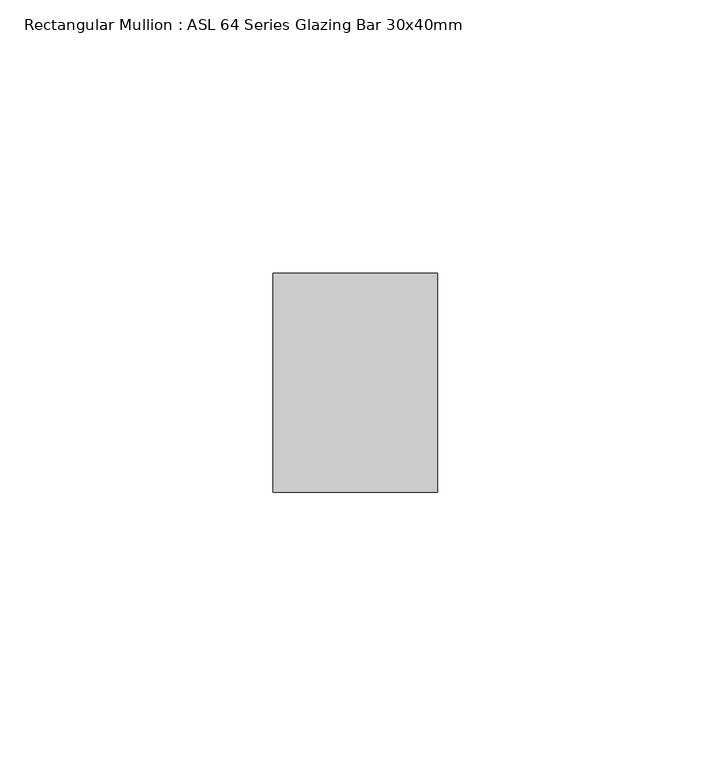
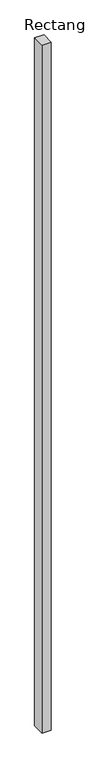
"""IFC4 building model written with IfcOpenShell, lengths in millimetres: member geometry, Rectangular Mullion : ASL 64 Series Glazing Bar 30x40mm."""

import ifcopenshell
import ifcopenshell.guid

model = None  # the IFC model being written
_history = None  # IfcOwnerHistory: only IFC2X3 demands one
_inside = {}  # id of a spatial element -> (the spatial element, [elements in it])
_under = {}  # id of a project, library or spatial element -> (it, [spatial elements below it])
_declared = {}  # id of a project -> (the project, [libraries it declares])
_typed = {}  # id of a type object -> (the type object, [elements of that type])
_made_of = {}  # id of a material, layer set ... -> (it, [elements and type objects made of it])


def new_model(schema):
    """Start an empty IFC model of exactly this schema.

    Asked for "IFC4X3", IfcOpenShell would pick the latest addendum, in which some entities
    have other attributes; the version numbers below select the first issue.
    IFC2X3 requires an IfcOwnerHistory on every rooted entity: one is made here for all.
    """
    global model, _history
    if schema == "IFC4X3":
        model = ifcopenshell.file(schema_version=(4, 3, 0, 0))
    else:
        model = ifcopenshell.file(schema=schema)
    _inside.clear()
    _under.clear()
    _declared.clear()
    _typed.clear()
    _made_of.clear()
    _history = None
    if model.schema == "IFC2X3":
        org = make("IfcOrganization", Name="unknown")
        user = make(
            "IfcPersonAndOrganization",
            ThePerson=make("IfcPerson", FamilyName="unknown"),
            TheOrganization=org,
        )
        app = make(
            "IfcApplication",
            ApplicationDeveloper=org,
            Version="unknown",
            ApplicationFullName="unknown",
            ApplicationIdentifier="unknown",
        )
        _history = make(
            "IfcOwnerHistory",
            OwningUser=user,
            OwningApplication=app,
            ChangeAction="ADDED",
            CreationDate=0,
        )
    return model


def make(cls, **values):
    """One entity of the class cls with the attributes given. An attribute that is None is left unset."""
    return model.create_entity(
        cls, **{name: value for name, value in values.items() if value is not None}
    )


def rooted(cls, **values):
    """An entity with a GlobalId (a new one), such as an element, a storey or a relation."""
    return make(cls, GlobalId=ifcopenshell.guid.new(), OwnerHistory=_history, **values)


def si_unit(unit_type, name, prefix=None):
    """IfcSIUnit, for example si_unit("LENGTHUNIT", "METRE", prefix="MILLI")."""
    return make("IfcSIUnit", UnitType=unit_type, Prefix=prefix, Name=name)


def assignment(units):
    """IfcUnitAssignment: the units of a project."""
    return None if units is None else make("IfcUnitAssignment", Units=units)


def point(xyz):
    """IfcCartesianPoint."""
    return None if xyz is None else make("IfcCartesianPoint", Coordinates=xyz)


def direction(xyz):
    """IfcDirection."""
    return None if xyz is None else make("IfcDirection", DirectionRatios=xyz)


def frame(location, z_axis=None, x_axis=None):
    """IfcAxis2Placement3D, a coordinate frame: its origin and axes. An axis left out is left unset."""
    return make(
        "IfcAxis2Placement3D",
        Location=point(location),
        Axis=direction(z_axis),
        RefDirection=direction(x_axis),
    )


def origin():
    """The frame at (0, 0, 0) with its axes left unset."""
    return frame((0.0, 0.0, 0.0))


def place(relative_to, where):
    """IfcLocalPlacement: puts the frame where relative to a parent placement (None: the world)."""
    return make(
        "IfcLocalPlacement", PlacementRelTo=relative_to, RelativePlacement=where
    )


def context(
    kind, dimensions, precision=None, world=None, true_north=None, identifier=None
):
    """IfcGeometricRepresentationContext, for example the 3D "Model" context."""
    return make(
        "IfcGeometricRepresentationContext",
        ContextIdentifier=identifier,
        ContextType=kind,
        CoordinateSpaceDimension=dimensions,
        Precision=precision,
        WorldCoordinateSystem=world,
        TrueNorth=true_north,
    )


def project(units=None, contexts=None):
    """IfcProject with its units and contexts."""
    return rooted(
        "IfcProject",
        Name="project",
        RepresentationContexts=contexts,
        UnitsInContext=assignment(units),
    )


def spatial(cls, under=None, at=None, **own):
    """A site, building, storey or space (cls), placed at a placement, below another one or the project."""
    s = rooted(cls, ObjectPlacement=at, **own)
    if under is not None:
        _under.setdefault(under.id(), (under, []))[1].append(s)
    return s


def polyline(points):
    """IfcPolyline through the points."""
    return make("IfcPolyline", Points=[point(p) for p in points])


def outline(outer, holes=None, kind="AREA"):
    """IfcArbitraryClosedProfileDef: a profile drawn as a closed curve; with holes, ...WithVoids."""
    if holes is None:
        return make("IfcArbitraryClosedProfileDef", ProfileType=kind, OuterCurve=outer)
    return make(
        "IfcArbitraryProfileDefWithVoids",
        ProfileType=kind,
        OuterCurve=outer,
        InnerCurves=holes,
    )


def extrude(swept, where, along, depth):
    """IfcExtrudedAreaSolid: the profile swept, set in the frame where, extruded along a direction by depth."""
    return make(
        "IfcExtrudedAreaSolid",
        SweptArea=swept,
        Position=where,
        ExtrudedDirection=direction(along),
        Depth=depth,
    )


def shape(context_of_items, identifier, shape_type, items):
    """IfcShapeRepresentation: the items that make up one representation, for example the "Body"."""
    return make(
        "IfcShapeRepresentation",
        ContextOfItems=context_of_items,
        RepresentationIdentifier=identifier,
        RepresentationType=shape_type,
        Items=items,
    )


def source(mapping_origin, context_of_items, identifier, shape_type, items):
    """IfcRepresentationMap: a shape defined once, which mapped items show again and again."""
    return make(
        "IfcRepresentationMap",
        MappingOrigin=mapping_origin,
        MappedRepresentation=shape(context_of_items, identifier, shape_type, items),
    )


def transform(
    local_origin,
    x_axis=None,
    y_axis=None,
    z_axis=None,
    scale=None,
    scale2=None,
    scale3=None,
    uniform=True,
):
    """IfcCartesianTransformationOperator3D, or its non-uniform kind. x_axis, y_axis, z_axis: its Axis1, 2, 3."""
    if uniform:
        return make(
            "IfcCartesianTransformationOperator3D",
            Axis1=direction(x_axis),
            Axis2=direction(y_axis),
            LocalOrigin=point(local_origin),
            Scale=scale,
            Axis3=direction(z_axis),
        )
    return make(
        "IfcCartesianTransformationOperator3DnonUniform",
        Axis1=direction(x_axis),
        Axis2=direction(y_axis),
        LocalOrigin=point(local_origin),
        Scale=scale,
        Axis3=direction(z_axis),
        Scale2=scale2,
        Scale3=scale3,
    )


def mapped(mapping_source, mapping_target):
    """IfcMappedItem: shows the shape of a source again, moved by a transform."""
    return make(
        "IfcMappedItem", MappingSource=mapping_source, MappingTarget=mapping_target
    )


def made_of(thing, what):
    """Note that an element or type object is made of a material, layer set ...; save() writes the relation."""
    if what is not None:
        _made_of.setdefault(what.id(), (what, []))[1].append(thing)
    return thing


def element(
    cls,
    number,
    at=None,
    inside=None,
    cuts=None,
    type_object=None,
    material=None,
    context=None,
    identifier="Body",
    shape_type=None,
    held_by="IfcProductDefinitionShape",
    body=None,
    shapes=None,
    **own,
):
    """One element of the class cls, such as IfcWall. Its Tag is "e" and its number.

    at: its placement. inside: the storey or other place that contains it. cuts: it is an
    opening in that element (IfcRelVoidsElement). A single representation is given by context,
    identifier, shape_type and body (its items); several are given by shapes. held_by: the class
    of the entity that holds the representations. save() writes the other relations.
    """
    e = rooted(cls, Tag="e%d" % number, ObjectPlacement=at, **own)
    if body is not None:
        shapes = [shape(context, identifier, shape_type, body)]
    if shapes is not None:
        e.Representation = make(held_by, Representations=shapes)
    if inside is not None:
        _inside.setdefault(inside.id(), (inside, []))[1].append(e)
    if cuts is not None:
        rooted(
            "IfcRelVoidsElement", RelatingBuildingElement=cuts, RelatedOpeningElement=e
        )
    if type_object is not None:
        _typed.setdefault(type_object.id(), (type_object, []))[1].append(e)
    return made_of(e, material)


def aggregate(whole, parts):
    """IfcRelAggregates: a whole, such as a stair, and the parts it consists of."""
    return rooted("IfcRelAggregates", RelatingObject=whole, RelatedObjects=parts)


def save(model, path):
    """Write the relations noted so far, then the file.

    IfcRelAggregates (storeys below a building ...), IfcRelContainedInSpatialStructure (elements
    in a storey), IfcRelDefinesByType, IfcRelAssociatesMaterial and IfcRelDeclares: one each for
    every whole, place, type object, material and project.
    """
    for whole, parts in _under.values():
        aggregate(whole, parts)
    for where, things in _inside.values():
        rooted(
            "IfcRelContainedInSpatialStructure",
            RelatedElements=things,
            RelatingStructure=where,
        )
    for kind, things in _typed.values():
        rooted("IfcRelDefinesByType", RelatedObjects=things, RelatingType=kind)
    for what, things in _made_of.values():
        rooted("IfcRelAssociatesMaterial", RelatedObjects=things, RelatingMaterial=what)
    for by, libraries in _declared.values():
        rooted("IfcRelDeclares", RelatingContext=by, RelatedDefinitions=libraries)
    model.write(path)


def rectangular_mullion_asl_64_series_glazing_bar_30x40mm_ab11d5e8(model_context):
    return source(origin(), model_context, "Body", "SweptSolid", [
        extrude(outline(polyline([(-30.0, 20.0), (0.0, 20.0), (0.0, -20.0), (-30.0, -20.0), (-30.0, 20.0)])), frame((0.0, 0.0, -2340.0), z_axis=(0.0, 0.0, 1.0), x_axis=(1.0, 0.0, 0.0)), (0.0, 0.0, 1.0), 2340.0),
    ])


if __name__ == "__main__":
    model = new_model("IFC4")
    model_context = context("Model", 3, world=origin())
    ifc_project = project(units=[si_unit("LENGTHUNIT", "METRE", prefix="MILLI")], contexts=[model_context])
    site = spatial("IfcSite", under=ifc_project)
    building = spatial("IfcBuilding", under=site)
    placement = place(None, origin())
    rectangular_mullion_asl_64_series_glazing_bar_30x40mm_shape = rectangular_mullion_asl_64_series_glazing_bar_30x40mm_ab11d5e8(model_context)
    element("IfcMember", 1, ObjectType="Rectangular Mullion : ASL 64 Series Glazing Bar 30x40mm", at=placement, inside=building, context=model_context, shape_type="MappedRepresentation", body=[
        mapped(rectangular_mullion_asl_64_series_glazing_bar_30x40mm_shape, transform((0.0, 0.0, 0.0), x_axis=(1.0, 0.0, 0.0), y_axis=(0.0, 1.0, 0.0), z_axis=(0.0, 0.0, 1.0))),
    ])
    save(model, "model.ifc")
